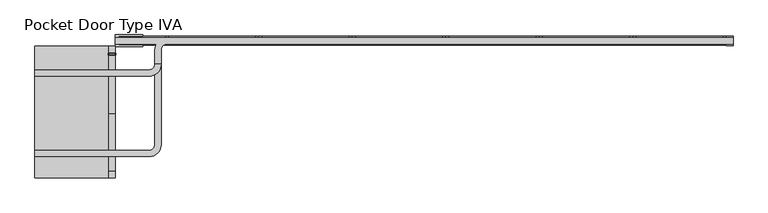
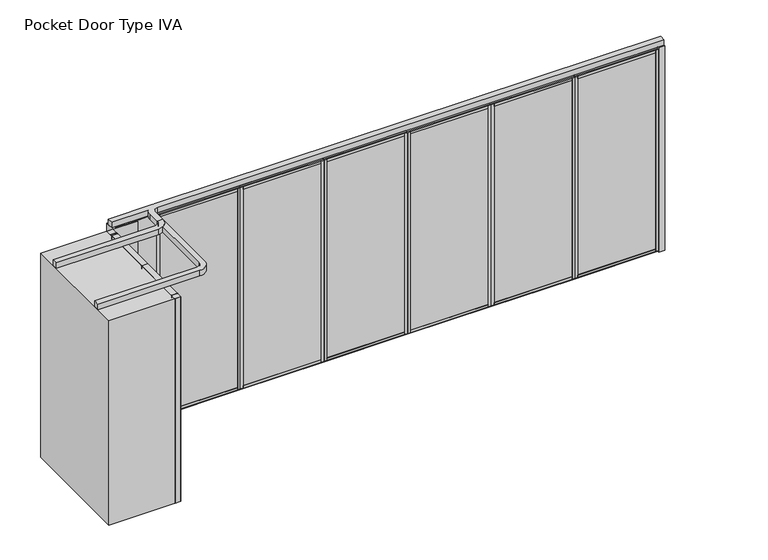
"""IFC4 building model written with IfcOpenShell, lengths in millimetres: proxy geometry, Pocket Door Type IVA."""

from ifc_helpers import new_model, si_unit, point, frame, frame_2d, origin, origin_with_axes, place, context, project, spatial, polyline, circle_curve, trimmed, segment, composite_curve, outline, extrude, source, transform, mapped, element, save


def pocket_door_type_iva_d3fd95a1(model_context):
    return source(origin(), model_context, "Body", "SweptSolid", [
        extrude(outline(polyline([(3361.736883, 34.13125), (4423.2452164, 34.13125), (4423.2452164, -34.13125), (3361.736883, -34.13125), (3361.736883, 34.13125)])), origin_with_axes(), (0.0, 0.0, 1.0), 22.225),
        extrude(outline(polyline([(3361.736883, 34.13125), (4423.2452164, 34.13125), (4423.2452164, -34.13125), (3361.736883, -34.13125), (3361.736883, 34.13125)])), frame((0.0, 0.0, 2720.975), z_axis=(0.0, 0.0, 1.0), x_axis=(1.0, 0.0, 0.0)), (0.0, 0.0, 1.0), 22.225),
        extrude(outline(polyline([(3396.915883, -50.8), (3361.990883, -50.8), (3361.990883, 50.8), (3396.915883, 50.8), (3396.915883, -50.8)])), frame((0.0, 0.0, 22.225), z_axis=(0.0, 0.0, 1.0), x_axis=(1.0, 0.0, 0.0)), (0.0, 0.0, 1.0), 2698.75),
        extrude(outline(polyline([(4388.0662164, -50.8), (4388.0662164, 50.8), (4422.9912164, 50.8), (4422.9912164, -50.8), (4388.0662164, -50.8)])), frame((0.0, 0.0, 22.225), z_axis=(0.0, 0.0, 1.0), x_axis=(1.0, 0.0, 0.0)), (0.0, 0.0, 1.0), 2698.75),
        extrude(outline(polyline([(0.0, 9.525), (1036.1083334, 9.525), (1036.1083334, 0.0), (0.0, 0.0), (0.0, 9.525)])), frame((4410.5452164, -36.5125, 52.3875), z_axis=(0.0, 1.4530598946293796e-12, 1.0), x_axis=(-1.0, 0.0, 0.0)), (0.0, 0.0, 1.0), 2638.425),
        extrude(outline(polyline([(0.0, 7.9375), (1036.1083334, 7.9375), (1036.1083334, 0.0), (0.0, 0.0), (0.0, 7.9375)])), frame((4410.5452164, 44.45, 52.3875), z_axis=(0.0, -1.775646296664526e-12, 1.0), x_axis=(-1.0, 0.0, 0.0)), (0.0, 0.0, 1.0), 2638.425),
        extrude(outline(polyline([(36.5125, 2605.0875), (-36.5125, 2605.0875), (-36.5125, 2690.8125), (-50.8, 2690.8125), (-50.8, 2720.975), (50.8, 2720.975), (50.8, 2690.8125), (36.5125, 2690.8125), (36.5125, 2605.0875)])), frame((3396.915883, 0.0, 0.0), z_axis=(1.0, 0.0, 0.0), x_axis=(0.0, 1.0, 0.0)), (0.0, 0.0, 1.0), 991.1503333),
        extrude(outline(polyline([(50.8, 22.225), (-50.8, 22.225), (-50.8, 52.3875), (-36.5125, 52.3875), (-36.5125, 138.1125), (36.5125, 138.1125), (36.5125, 52.3875), (50.8, 52.3875), (50.8, 22.225)])), frame((3396.915883, 0.0, 0.0), z_axis=(1.0, 0.0, 0.0), x_axis=(0.0, 1.0, 0.0)), (0.0, 0.0, 1.0), 991.1503333),
        extrude(outline(polyline([(2300.2285497, 34.13125), (3361.736883, 34.13125), (3361.736883, -34.13125), (2300.2285497, -34.13125), (2300.2285497, 34.13125)])), origin_with_axes(), (0.0, 0.0, 1.0), 22.225),
        extrude(outline(polyline([(2300.2285497, 34.13125), (3361.736883, 34.13125), (3361.736883, -34.13125), (2300.2285497, -34.13125), (2300.2285497, 34.13125)])), frame((0.0, 0.0, 2720.975), z_axis=(0.0, 0.0, 1.0), x_axis=(1.0, 0.0, 0.0)), (0.0, 0.0, 1.0), 22.225),
        extrude(outline(polyline([(2335.4075497, -50.8), (2300.4825497, -50.8), (2300.4825497, 50.8), (2335.4075497, 50.8), (2335.4075497, -50.8)])), frame((0.0, 0.0, 22.225), z_axis=(0.0, 0.0, 1.0), x_axis=(1.0, 0.0, 0.0)), (0.0, 0.0, 1.0), 2698.75),
        extrude(outline(polyline([(3326.557883, -50.8), (3326.557883, 50.8), (3361.482883, 50.8), (3361.482883, -50.8), (3326.557883, -50.8)])), frame((0.0, 0.0, 22.225), z_axis=(0.0, 0.0, 1.0), x_axis=(1.0, 0.0, 0.0)), (0.0, 0.0, 1.0), 2698.75),
        extrude(outline(polyline([(0.0, 9.525), (1036.1083333, 9.525), (1036.1083333, 0.0), (0.0, 0.0), (0.0, 9.525)])), frame((3349.036883, -36.5125, 52.3875), z_axis=(0.0, 1.4530598946293796e-12, 1.0), x_axis=(-1.0, 0.0, 0.0)), (0.0, 0.0, 1.0), 2638.425),
        extrude(outline(polyline([(0.0, 7.9375), (1036.1083333, 7.9375), (1036.1083333, 0.0), (0.0, 0.0), (0.0, 7.9375)])), frame((3349.036883, 44.45, 52.3875), z_axis=(0.0, -1.775646296664526e-12, 1.0), x_axis=(-1.0, 0.0, 0.0)), (0.0, 0.0, 1.0), 2638.425),
        extrude(outline(polyline([(36.5125, 2605.0875), (-36.5125, 2605.0875), (-36.5125, 2690.8125), (-50.8, 2690.8125), (-50.8, 2720.975), (50.8, 2720.975), (50.8, 2690.8125), (36.5125, 2690.8125), (36.5125, 2605.0875)])), frame((2335.4075497, 0.0, 0.0), z_axis=(1.0, 0.0, 0.0), x_axis=(0.0, 1.0, 0.0)), (0.0, 0.0, 1.0), 991.1503333),
        extrude(outline(polyline([(50.8, 22.225), (-50.8, 22.225), (-50.8, 52.3875), (-36.5125, 52.3875), (-36.5125, 138.1125), (36.5125, 138.1125), (36.5125, 52.3875), (50.8, 52.3875), (50.8, 22.225)])), frame((2335.4075497, 0.0, 0.0), z_axis=(1.0, 0.0, 0.0), x_axis=(0.0, 1.0, 0.0)), (0.0, 0.0, 1.0), 991.1503333),
        extrude(outline(polyline([(1238.7202164, 34.13125), (2300.2285497, 34.13125), (2300.2285497, -34.13125), (1238.7202164, -34.13125), (1238.7202164, 34.13125)])), origin_with_axes(), (0.0, 0.0, 1.0), 22.225),
        extrude(outline(polyline([(1238.7202164, 34.13125), (2300.2285497, 34.13125), (2300.2285497, -34.13125), (1238.7202164, -34.13125), (1238.7202164, 34.13125)])), frame((0.0, 0.0, 2720.975), z_axis=(0.0, 0.0, 1.0), x_axis=(1.0, 0.0, 0.0)), (0.0, 0.0, 1.0), 22.225),
        extrude(outline(polyline([(1273.8992164, -50.8), (1238.9742164, -50.8), (1238.9742164, 50.8), (1273.8992164, 50.8), (1273.8992164, -50.8)])), frame((0.0, 0.0, 22.225), z_axis=(0.0, 0.0, 1.0), x_axis=(1.0, 0.0, 0.0)), (0.0, 0.0, 1.0), 2698.75),
        extrude(outline(polyline([(2265.0495497, -50.8), (2265.0495497, 50.8), (2299.9745497, 50.8), (2299.9745497, -50.8), (2265.0495497, -50.8)])), frame((0.0, 0.0, 22.225), z_axis=(0.0, 0.0, 1.0), x_axis=(1.0, 0.0, 0.0)), (0.0, 0.0, 1.0), 2698.75),
        extrude(outline(polyline([(0.0, 9.525), (1036.1083333, 9.525), (1036.1083333, 0.0), (0.0, 0.0), (0.0, 9.525)])), frame((2287.5285497, -36.5125, 52.3875), z_axis=(0.0, 1.4530598946293796e-12, 1.0), x_axis=(-1.0, 0.0, 0.0)), (0.0, 0.0, 1.0), 2638.425),
        extrude(outline(polyline([(0.0, 7.9375), (1036.1083333, 7.9375), (1036.1083333, 0.0), (0.0, 0.0), (0.0, 7.9375)])), frame((2287.5285497, 44.45, 52.3875), z_axis=(0.0, -1.775646296664526e-12, 1.0), x_axis=(-1.0, 0.0, 0.0)), (0.0, 0.0, 1.0), 2638.425),
        extrude(outline(polyline([(36.5125, 2605.0875), (-36.5125, 2605.0875), (-36.5125, 2690.8125), (-50.8, 2690.8125), (-50.8, 2720.975), (50.8, 2720.975), (50.8, 2690.8125), (36.5125, 2690.8125), (36.5125, 2605.0875)])), frame((1273.8992164, 0.0, 0.0), z_axis=(1.0, 0.0, 0.0), x_axis=(0.0, 1.0, 0.0)), (0.0, 0.0, 1.0), 991.1503333),
        extrude(outline(polyline([(50.8, 22.225), (-50.8, 22.225), (-50.8, 52.3875), (-36.5125, 52.3875), (-36.5125, 138.1125), (36.5125, 138.1125), (36.5125, 52.3875), (50.8, 52.3875), (50.8, 22.225)])), frame((1273.8992164, 0.0, 0.0), z_axis=(1.0, 0.0, 0.0), x_axis=(0.0, 1.0, 0.0)), (0.0, 0.0, 1.0), 991.1503333),
        extrude(outline(polyline([(177.211883, 34.13125), (1238.7202164, 34.13125), (1238.7202164, -34.13125), (177.211883, -34.13125), (177.211883, 34.13125)])), origin_with_axes(), (0.0, 0.0, 1.0), 22.225),
        extrude(outline(polyline([(177.211883, 34.13125), (1238.7202164, 34.13125), (1238.7202164, -34.13125), (177.211883, -34.13125), (177.211883, 34.13125)])), frame((0.0, 0.0, 2720.975), z_axis=(0.0, 0.0, 1.0), x_axis=(1.0, 0.0, 0.0)), (0.0, 0.0, 1.0), 22.225),
        extrude(outline(polyline([(212.390883, -50.8), (177.465883, -50.8), (177.465883, 50.8), (212.390883, 50.8), (212.390883, -50.8)])), frame((0.0, 0.0, 22.225), z_axis=(0.0, 0.0, 1.0), x_axis=(1.0, 0.0, 0.0)), (0.0, 0.0, 1.0), 2698.75),
        extrude(outline(polyline([(1203.5412164, -50.8), (1203.5412164, 50.8), (1238.4662164, 50.8), (1238.4662164, -50.8), (1203.5412164, -50.8)])), frame((0.0, 0.0, 22.225), z_axis=(0.0, 0.0, 1.0), x_axis=(1.0, 0.0, 0.0)), (0.0, 0.0, 1.0), 2698.75),
        extrude(outline(polyline([(0.0, 9.525), (1036.1083334, 9.525), (1036.1083334, 0.0), (0.0, 0.0), (0.0, 9.525)])), frame((1226.0202164, -36.5125, 52.3875), z_axis=(0.0, 1.4530598946293796e-12, 1.0), x_axis=(-1.0, 0.0, 0.0)), (0.0, 0.0, 1.0), 2638.425),
        extrude(outline(polyline([(0.0, 7.9375), (1036.1083334, 7.9375), (1036.1083334, 0.0), (0.0, 0.0), (0.0, 7.9375)])), frame((1226.0202164, 44.45, 52.3875), z_axis=(0.0, -1.775646296664526e-12, 1.0), x_axis=(-1.0, 0.0, 0.0)), (0.0, 0.0, 1.0), 2638.425),
        extrude(outline(polyline([(36.5125, 2605.0875), (-36.5125, 2605.0875), (-36.5125, 2690.8125), (-50.8, 2690.8125), (-50.8, 2720.975), (50.8, 2720.975), (50.8, 2690.8125), (36.5125, 2690.8125), (36.5125, 2605.0875)])), frame((212.390883, 0.0, 0.0), z_axis=(1.0, 0.0, 0.0), x_axis=(0.0, 1.0, 0.0)), (0.0, 0.0, 1.0), 991.1503333),
        extrude(outline(polyline([(50.8, 22.225), (-50.8, 22.225), (-50.8, 52.3875), (-36.5125, 52.3875), (-36.5125, 138.1125), (36.5125, 138.1125), (36.5125, 52.3875), (50.8, 52.3875), (50.8, 22.225)])), frame((212.390883, 0.0, 0.0), z_axis=(1.0, 0.0, 0.0), x_axis=(0.0, 1.0, 0.0)), (0.0, 0.0, 1.0), 991.1503333),
        extrude(outline(polyline([(4423.2452164, 34.13125), (5484.7535497, 34.13125), (5484.7535497, -34.13125), (4423.2452164, -34.13125), (4423.2452164, 34.13125)])), origin_with_axes(), (0.0, 0.0, 1.0), 22.225),
        extrude(outline(polyline([(4423.2452164, 34.13125), (5484.7535497, 34.13125), (5484.7535497, -34.13125), (4423.2452164, -34.13125), (4423.2452164, 34.13125)])), frame((0.0, 0.0, 2720.975), z_axis=(0.0, 0.0, 1.0), x_axis=(1.0, 0.0, 0.0)), (0.0, 0.0, 1.0), 22.225),
        extrude(outline(polyline([(4458.4242164, -50.8), (4423.4992164, -50.8), (4423.4992164, 50.8), (4458.4242164, 50.8), (4458.4242164, -50.8)])), frame((0.0, 0.0, 22.225), z_axis=(0.0, 0.0, 1.0), x_axis=(1.0, 0.0, 0.0)), (0.0, 0.0, 1.0), 2698.75),
        extrude(outline(polyline([(5449.5745497, -50.8), (5449.5745497, 50.8), (5484.4995497, 50.8), (5484.4995497, -50.8), (5449.5745497, -50.8)])), frame((0.0, 0.0, 22.225), z_axis=(0.0, 0.0, 1.0), x_axis=(1.0, 0.0, 0.0)), (0.0, 0.0, 1.0), 2698.75),
        extrude(outline(polyline([(0.0, 9.525), (1036.1083333, 9.525), (1036.1083333, 0.0), (0.0, 0.0), (0.0, 9.525)])), frame((5472.0535497, -36.5125, 52.3875), z_axis=(0.0, 1.4530598946293796e-12, 1.0), x_axis=(-1.0, 0.0, 0.0)), (0.0, 0.0, 1.0), 2638.425),
        extrude(outline(polyline([(0.0, 7.9375), (1036.1083333, 7.9375), (1036.1083333, 0.0), (0.0, 0.0), (0.0, 7.9375)])), frame((5472.0535497, 44.45, 52.3875), z_axis=(0.0, -1.775646296664526e-12, 1.0), x_axis=(-1.0, 0.0, 0.0)), (0.0, 0.0, 1.0), 2638.425),
        extrude(outline(polyline([(36.5125, 2605.0875), (-36.5125, 2605.0875), (-36.5125, 2690.8125), (-50.8, 2690.8125), (-50.8, 2720.975), (50.8, 2720.975), (50.8, 2690.8125), (36.5125, 2690.8125), (36.5125, 2605.0875)])), frame((4458.4242164, 0.0, 0.0), z_axis=(1.0, 0.0, 0.0), x_axis=(0.0, 1.0, 0.0)), (0.0, 0.0, 1.0), 991.1503333),
        extrude(outline(polyline([(50.8, 22.225), (-50.8, 22.225), (-50.8, 52.3875), (-36.5125, 52.3875), (-36.5125, 138.1125), (36.5125, 138.1125), (36.5125, 52.3875), (50.8, 52.3875), (50.8, 22.225)])), frame((4458.4242164, 0.0, 0.0), z_axis=(1.0, 0.0, 0.0), x_axis=(0.0, 1.0, 0.0)), (0.0, 0.0, 1.0), 991.1503333),
        extrude(outline(polyline([(-1449.4464503, -141.2875), (-1525.6464503, -141.2875), (-1525.6464503, -138.1125), (-1446.2714503, -138.1125), (-1446.2714503, -163.5125), (-1449.4464503, -163.5125), (-1449.4464503, -141.2875)])), origin_with_axes(), (0.0, 0.0, 1.0), 2743.2),
        extrude(outline(polyline([(-1525.6464503, -160.3375), (-1449.4464503, -160.3375), (-1449.4464503, -163.5125), (-1528.8214503, -163.5125), (-1528.8214503, -138.1125), (-1525.6464503, -138.1125), (-1525.6464503, -160.3375)])), origin_with_axes(), (0.0, 0.0, 1.0), 2743.2),
        extrude(outline(composite_curve([segment(polyline([(-1449.4464503, -165.8457069), (-1449.4464503, -821.5792931)]), True, "CONTINUOUS"), segment(trimmed(circle_curve(frame_2d((-1451.7796571, -821.5792931)), 2.3332069), [point((-1449.4464503, -821.5792931))], [point((-1451.7796571, -823.9125))], False, "CARTESIAN"), True, "CONTINUOUS"), segment(polyline([(-1451.7796571, -823.9125), (-1523.3132434, -823.9125)]), True, "CONTINUOUS"), segment(trimmed(circle_curve(frame_2d((-1523.3132434, -821.5792931)), 2.3332069), [point((-1523.3132434, -823.9125))], [point((-1525.6464503, -821.5792931))], False, "CARTESIAN"), True, "CONTINUOUS"), segment(polyline([(-1525.6464503, -821.5792931), (-1525.6464503, -165.8457069)]), True, "CONTINUOUS"), segment(trimmed(circle_curve(frame_2d((-1523.3132434, -165.8457069)), 2.3332069), [point((-1525.6464503, -165.8457069))], [point((-1523.3132434, -163.5125))], False, "CARTESIAN"), True, "CONTINUOUS"), segment(polyline([(-1523.3132434, -163.5125), (-1451.7796571, -163.5125)]), True, "CONTINUOUS"), segment(trimmed(circle_curve(frame_2d((-1451.7796571, -165.8457069)), 2.3332069), [point((-1451.7796571, -163.5125))], [point((-1449.4464503, -165.8457069))], False, "CARTESIAN"), True, "CONTINUOUS")], self_intersect=False)), origin_with_axes(), (0.0, 0.0, 1.0), 2743.2),
        extrude(outline(composite_curve([segment(polyline([(-1449.4464503, -64.2457069), (-1449.4464503, -135.7792931)]), True, "CONTINUOUS"), segment(trimmed(circle_curve(frame_2d((-1451.7796571, -135.7792931)), 2.3332069), [point((-1449.4464503, -135.7792931))], [point((-1451.7796571, -138.1125))], False, "CARTESIAN"), True, "CONTINUOUS"), segment(polyline([(-1451.7796571, -138.1125), (-1523.3132434, -138.1125)]), True, "CONTINUOUS"), segment(trimmed(circle_curve(frame_2d((-1523.3132434, -135.7792931)), 2.3332069), [point((-1523.3132434, -138.1125))], [point((-1525.6464503, -135.7792931))], False, "CARTESIAN"), True, "CONTINUOUS"), segment(polyline([(-1525.6464503, -135.7792931), (-1525.6464503, -64.2457069)]), True, "CONTINUOUS"), segment(trimmed(circle_curve(frame_2d((-1523.3132434, -64.2457069)), 2.3332069), [point((-1525.6464503, -64.2457069))], [point((-1523.3132434, -61.9125))], False, "CARTESIAN"), True, "CONTINUOUS"), segment(polyline([(-1523.3132434, -61.9125), (-1451.7796571, -61.9125)]), True, "CONTINUOUS"), segment(trimmed(circle_curve(frame_2d((-1451.7796571, -64.2457069)), 2.3332069), [point((-1451.7796571, -61.9125))], [point((-1449.4464503, -64.2457069))], False, "CARTESIAN"), True, "CONTINUOUS")], self_intersect=False)), origin_with_axes(), (0.0, 0.0, 1.0), 2743.2),
        extrude(outline(composite_curve([segment(polyline([(-1449.4464503, -1486.6457069), (-1449.4464503, -1558.1792931)]), True, "CONTINUOUS"), segment(trimmed(circle_curve(frame_2d((-1451.7796571, -1558.1792931)), 2.3332069), [point((-1449.4464503, -1558.1792931))], [point((-1451.7796571, -1560.5125))], False, "CARTESIAN"), True, "CONTINUOUS"), segment(polyline([(-1451.7796571, -1560.5125), (-1523.3132434, -1560.5125)]), True, "CONTINUOUS"), segment(trimmed(circle_curve(frame_2d((-1523.3132434, -1558.1792931)), 2.3332069), [point((-1523.3132434, -1560.5125))], [point((-1525.6464503, -1558.1792931))], False, "CARTESIAN"), True, "CONTINUOUS"), segment(polyline([(-1525.6464503, -1558.1792931), (-1525.6464503, -1486.6457069)]), True, "CONTINUOUS"), segment(trimmed(circle_curve(frame_2d((-1523.3132434, -1486.6457069)), 2.3332069), [point((-1525.6464503, -1486.6457069))], [point((-1523.3132434, -1484.3125))], False, "CARTESIAN"), True, "CONTINUOUS"), segment(polyline([(-1523.3132434, -1484.3125), (-1451.7796571, -1484.3125)]), True, "CONTINUOUS"), segment(trimmed(circle_curve(frame_2d((-1451.7796571, -1486.6457069)), 2.3332069), [point((-1451.7796571, -1484.3125))], [point((-1449.4464503, -1486.6457069))], False, "CARTESIAN"), True, "CONTINUOUS")], self_intersect=False)), origin_with_axes(), (0.0, 0.0, 1.0), 2743.2),
        extrude(outline(composite_curve([segment(polyline([(-1449.4464503, -826.2457069), (-1449.4464503, -1481.9792931)]), True, "CONTINUOUS"), segment(trimmed(circle_curve(frame_2d((-1451.7796571, -1481.9792931)), 2.3332069), [point((-1449.4464503, -1481.9792931))], [point((-1451.7796571, -1484.3125))], False, "CARTESIAN"), True, "CONTINUOUS"), segment(polyline([(-1451.7796571, -1484.3125), (-1523.3132434, -1484.3125)]), True, "CONTINUOUS"), segment(trimmed(circle_curve(frame_2d((-1523.3132434, -1481.9792931)), 2.3332069), [point((-1523.3132434, -1484.3125))], [point((-1525.6464503, -1481.9792931))], False, "CARTESIAN"), True, "CONTINUOUS"), segment(polyline([(-1525.6464503, -1481.9792931), (-1525.6464503, -826.2457069)]), True, "CONTINUOUS"), segment(trimmed(circle_curve(frame_2d((-1523.3132434, -826.2457069)), 2.3332069), [point((-1525.6464503, -826.2457069))], [point((-1523.3132434, -823.9125))], False, "CARTESIAN"), True, "CONTINUOUS"), segment(polyline([(-1523.3132434, -823.9125), (-1451.7796571, -823.9125)]), True, "CONTINUOUS"), segment(trimmed(circle_curve(frame_2d((-1451.7796571, -826.2457069)), 2.3332069), [point((-1451.7796571, -823.9125))], [point((-1449.4464503, -826.2457069))], False, "CARTESIAN"), True, "CONTINUOUS")], self_intersect=False)), origin_with_axes(), (0.0, 0.0, 1.0), 2743.2),
        extrude(outline(polyline([(-884.2964503, 34.13125), (177.211883, 34.13125), (177.211883, -34.13125), (-884.2964503, -34.13125), (-884.2964503, 34.13125)])), origin_with_axes(), (0.0, 0.0, 1.0), 22.225),
        extrude(outline(polyline([(-884.2964503, 34.13125), (177.211883, 34.13125), (177.211883, -34.13125), (-884.2964503, -34.13125), (-884.2964503, 34.13125)])), frame((0.0, 0.0, 2720.975), z_axis=(0.0, 0.0, 1.0), x_axis=(1.0, 0.0, 0.0)), (0.0, 0.0, 1.0), 22.225),
        extrude(outline(polyline([(-849.1174503, -50.8), (-884.0424503, -50.8), (-884.0424503, 50.8), (-849.1174503, 50.8), (-849.1174503, -50.8)])), frame((0.0, 0.0, 22.225), z_axis=(0.0, 0.0, 1.0), x_axis=(1.0, 0.0, 0.0)), (0.0, 0.0, 1.0), 2698.75),
        extrude(outline(polyline([(142.032883, -50.8), (142.032883, 50.8), (176.957883, 50.8), (176.957883, -50.8), (142.032883, -50.8)])), frame((0.0, 0.0, 22.225), z_axis=(0.0, 0.0, 1.0), x_axis=(1.0, 0.0, 0.0)), (0.0, 0.0, 1.0), 2698.75),
        extrude(outline(polyline([(0.0, 9.525), (1036.1083333, 9.525), (1036.1083333, 0.0), (0.0, 0.0), (0.0, 9.525)])), frame((164.511883, -36.5125, 52.3875), z_axis=(0.0, 1.4530598946293796e-12, 1.0), x_axis=(-1.0, 0.0, 0.0)), (0.0, 0.0, 1.0), 2638.425),
        extrude(outline(polyline([(0.0, 7.9375), (1036.1083333, 7.9375), (1036.1083333, 0.0), (0.0, 0.0), (0.0, 7.9375)])), frame((164.511883, 44.45, 52.3875), z_axis=(0.0, -1.775646296664526e-12, 1.0), x_axis=(-1.0, 0.0, 0.0)), (0.0, 0.0, 1.0), 2638.425),
        extrude(outline(polyline([(36.5125, 2605.0875), (-36.5125, 2605.0875), (-36.5125, 2690.8125), (-50.8, 2690.8125), (-50.8, 2720.975), (50.8, 2720.975), (50.8, 2690.8125), (36.5125, 2690.8125), (36.5125, 2605.0875)])), frame((-849.1174503, 0.0, 0.0), z_axis=(1.0, 0.0, 0.0), x_axis=(0.0, 1.0, 0.0)), (0.0, 0.0, 1.0), 991.1503333),
        extrude(outline(polyline([(50.8, 22.225), (-50.8, 22.225), (-50.8, 52.3875), (-36.5125, 52.3875), (-36.5125, 138.1125), (36.5125, 138.1125), (36.5125, 52.3875), (50.8, 52.3875), (50.8, 22.225)])), frame((-849.1174503, 0.0, 0.0), z_axis=(1.0, 0.0, 0.0), x_axis=(0.0, 1.0, 0.0)), (0.0, 0.0, 1.0), 991.1503333),
        extrude(outline(polyline([(-1138.2964503, -68.2625), (-1449.4464503, -68.2625), (-1449.4464503, 68.2625), (-1138.2964503, 68.2625), (-1138.2964503, 50.8), (-1411.3464503, 50.8), (-1411.3464503, -50.8), (-1138.2964503, -50.8), (-1138.2964503, -68.2625)])), origin_with_axes(), (0.0, 0.0, 1.0), 2743.2),
        extrude(outline(polyline([(-884.2964503, -50.8), (-1182.7464503, -50.8), (-1182.7464503, 50.8), (-884.2964503, 50.8), (-884.2964503, -50.8)])), origin_with_axes(), (0.0, 0.0, 1.0), 2743.2),
        extrude(outline(polyline([(5560.9535497, -53.975), (5484.7535497, -53.975), (5484.7535497, 53.975), (5560.9535497, 53.975), (5560.9535497, -53.975)])), origin_with_axes(), (0.0, 0.0, 1.0), 2743.2),
        extrude(outline(composite_curve([segment(polyline([(-2363.8464503, -330.99375), (-1068.4464503, -330.99375)]), True, "CONTINUOUS"), segment(trimmed(circle_curve(frame_2d((-1068.4464503, -265.1125)), 65.88125), [point((-1068.4464503, -330.99375))], [point((-1002.5652003, -265.1125))], True, "CARTESIAN"), True, "CONTINUOUS"), segment(polyline([(-1002.5652003, -265.1125), (-931.1277003, -265.1125)]), True, "CONTINUOUS"), segment(trimmed(circle_curve(frame_2d((-1068.4464503, -265.1125)), 137.31875), [point((-931.1277003, -265.1125))], [point((-1068.4464503, -402.43125))], False, "CARTESIAN"), True, "CONTINUOUS"), segment(polyline([(-1068.4464503, -402.43125), (-2363.8464503, -402.43125), (-2363.8464503, -330.99375)]), True, "CONTINUOUS")], self_intersect=False)), frame((0.0, 0.0, 2743.2), z_axis=(0.0, 0.0, 1.0), x_axis=(1.0, 0.0, 0.0)), (0.0, 0.0, 1.0), 74.6125),
        extrude(outline(composite_curve([segment(polyline([(-884.2964503, 35.71875), (-884.2964503, 34.3909431)]), True, "CONTINUOUS"), segment(trimmed(circle_curve(frame_2d((-865.2464503, -101.6)), 137.31875), [point((-884.2964503, 34.3909431))], [point((-865.2464503, 35.71875))], False, "CARTESIAN"), True, "CONTINUOUS"), segment(polyline([(-865.2464503, 35.71875), (5560.9535497, 35.71875), (5560.9535497, -35.71875), (-865.2464503, -35.71875)]), True, "CONTINUOUS"), segment(trimmed(circle_curve(frame_2d((-865.2464503, -101.6)), 65.88125), [point((-865.2464503, -35.71875))], [point((-931.1277003, -101.6))], True, "CARTESIAN"), True, "CONTINUOUS"), segment(polyline([(-931.1277003, -101.6), (-931.1277003, -1179.5125)]), True, "CONTINUOUS"), segment(trimmed(circle_curve(frame_2d((-1068.4464503, -1179.5125)), 137.31875), [point((-931.1277003, -1179.5125))], [point((-1068.4464503, -1316.83125))], False, "CARTESIAN"), True, "CONTINUOUS"), segment(polyline([(-1068.4464503, -1316.83125), (-2363.8464503, -1316.83125), (-2363.8464503, -1245.39375), (-1068.4464503, -1245.39375)]), True, "CONTINUOUS"), segment(trimmed(circle_curve(frame_2d((-1068.4464503, -1179.5125)), 65.88125), [point((-1068.4464503, -1245.39375))], [point((-1002.5652003, -1179.5125))], True, "CARTESIAN"), True, "CONTINUOUS"), segment(polyline([(-1002.5652003, -1179.5125), (-1002.5652003, -101.6)]), True, "CONTINUOUS"), segment(trimmed(circle_curve(frame_2d((-865.2464503, -101.6)), 137.31875), [point((-1002.5652003, -101.6))], [point((-985.7292291, -35.71875))], False, "CARTESIAN"), True, "CONTINUOUS"), segment(polyline([(-985.7292291, -35.71875), (-1449.4464503, -35.71875), (-1449.4464503, 35.71875), (-884.2964503, 35.71875)]), True, "CONTINUOUS")], self_intersect=False)), frame((0.0, 0.0, 2743.2), z_axis=(0.0, 0.0, 1.0), x_axis=(1.0, 0.0, 0.0)), (0.0, 0.0, 1.0), 74.6125),
        extrude(outline(polyline([(-1449.4464503, -61.9125), (-1449.4464503, -1560.5125), (-2363.8464503, -1560.5125), (-2363.8464503, -61.9125), (-1449.4464503, -61.9125)])), origin_with_axes(), (0.0, 0.0, 1.0), 2743.2),
    ])


if __name__ == "__main__":
    model = new_model("IFC4")
    model_context = context("Model", 3, world=origin())
    ifc_project = project(units=[si_unit("LENGTHUNIT", "METRE", prefix="MILLI")], contexts=[model_context])
    site = spatial("IfcSite", under=ifc_project)
    building = spatial("IfcBuilding", under=site)
    placement = place(None, origin())
    pocket_door_type_iva_shape = pocket_door_type_iva_d3fd95a1(model_context)
    element("IfcBuildingElementProxy", 1, Name="Pocket Door Type IVA", ObjectType="Pocket Door Type IVA", at=placement, inside=building, context=model_context, shape_type="MappedRepresentation", body=[
        mapped(pocket_door_type_iva_shape, transform((0.0, 0.0, 0.0), x_axis=(1.0, 0.0, 0.0), y_axis=(0.0, 1.0, 0.0), z_axis=(0.0, 0.0, 1.0))),
    ])
    save(model, "model.ifc")
